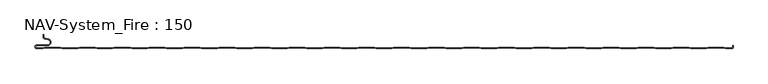
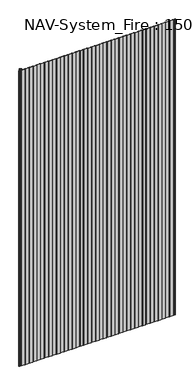
"""IFC4 building model written with IfcOpenShell, lengths in millimetres: plate geometry, NAV-System_Fire : 150."""

from ifc_helpers import new_model, si_unit, frame, origin, place, context, project, spatial, polyline, circle_curve, source, transform, mapped, element, save
from ifc_brep_helpers import plane_surface, cylinder_surface, revolved_surface, advanced_brep


def nav_system_fire_150_ab6735f6(model_context):
    return source(origin(), model_context, "Body", "AdvancedBrep", [
        advanced_brep(
        [(-488.8798221, -150.8, 2000.0), (-497.2500001, -150.8, 2000.0), (-497.2500001, -147.4000001, 2000.0), (-481.8502086, -147.4000001, 2000.0), (-480.9923864, -137.5950498, 2000.0), (-485.8625665, -136.7363054, 2000.0), (-487.3500004, -134.9636506, 2000.0), (-487.3500014, -131.6578709, 2000.0), (-488.1500014, -131.6578709, 2000.0), (-488.1500014, -134.9636516, 2000.0), (-486.0014853, -137.5241512, 2000.0), (-481.1313015, -138.382896, 2000.0), (-481.850205, -146.6000001, 2000.0), (-497.2500001, -146.6000001, 2000.0), (-497.2500001, -151.6, 2000.0), (-488.75, -151.6, 2000.0), (-485.75, -150.6, 2000.0), (-463.75, -150.6, 2000.0), (-460.75, -151.6, 2000.0), (-438.75, -151.6, 2000.0), (-435.75, -150.6, 2000.0), (-413.75, -150.6, 2000.0), (-410.75, -151.6, 2000.0), (-388.75, -151.6, 2000.0), (-385.75, -150.6, 2000.0), (-363.75, -150.6, 2000.0), (-360.75, -151.6, 2000.0), (-338.75, -151.6, 2000.0), (-335.75, -150.6, 2000.0), (-313.75, -150.6, 2000.0), (-310.75, -151.6, 2000.0), (-288.75, -151.6, 2000.0), (-285.75, -150.6, 2000.0), (-263.75, -150.6, 2000.0), (-260.75, -151.6, 2000.0), (-238.75, -151.6, 2000.0), (-235.75, -150.6, 2000.0), (-213.75, -150.6, 2000.0), (-210.75, -151.6, 2000.0), (-188.75, -151.6, 2000.0), (-185.75, -150.6, 2000.0), (-163.75, -150.6, 2000.0), (-160.75, -151.6, 2000.0), (-138.75, -151.6, 2000.0), (-135.75, -150.6, 2000.0), (-113.75, -150.6, 2000.0), (-110.75, -151.6, 2000.0), (-88.75, -151.6, 2000.0), (-85.75, -150.6, 2000.0), (-63.75, -150.6, 2000.0), (-60.75, -151.6, 2000.0), (-38.75, -151.6, 2000.0), (-35.75, -150.6, 2000.0), (-13.75, -150.6, 2000.0), (-10.75, -151.6, 2000.0), (11.25, -151.6, 2000.0), (14.25, -150.6, 2000.0), (36.25, -150.6, 2000.0), (39.25, -151.6, 2000.0), (61.25, -151.6, 2000.0), (64.25, -150.6, 2000.0), (86.25, -150.6, 2000.0), (89.25, -151.6, 2000.0), (111.25, -151.6, 2000.0), (114.25, -150.6, 2000.0), (136.25, -150.6, 2000.0), (139.25, -151.6, 2000.0), (161.25, -151.6, 2000.0), (164.25, -150.6, 2000.0), (186.25, -150.6, 2000.0), (189.25, -151.6, 2000.0), (211.25, -151.6, 2000.0), (214.25, -150.6, 2000.0), (236.25, -150.6, 2000.0), (239.25, -151.6, 2000.0), (261.25, -151.6, 2000.0), (264.25, -150.6, 2000.0), (286.25, -150.6, 2000.0), (289.25, -151.6, 2000.0), (311.25, -151.6, 2000.0), (314.25, -150.6, 2000.0), (336.25, -150.6, 2000.0), (339.25, -151.6, 2000.0), (361.25, -151.6, 2000.0), (364.25, -150.6, 2000.0), (386.25, -150.6, 2000.0), (389.25, -151.6, 2000.0), (411.25, -151.6, 2000.0), (414.25, -150.6, 2000.0), (436.25, -150.6, 2000.0), (439.25, -151.6, 2000.0), (461.25, -151.6, 2000.0), (464.25, -150.6, 2000.0), (486.25, -150.6, 2000.0), (489.25, -151.6, 2000.0), (498.2500007, -151.6, 2000.0), (499.75, -150.9228766, 2000.0), (499.75, -146.9390429, 2000.0), (499.4499998, -148.1999953, 2000.0), (499.4499998, -149.5978602, 2000.0), (498.2500017, -150.7999998, 2000.0), (489.3798221, -150.8, 2000.0), (486.3798221, -149.8, 2000.0), (464.1201779, -149.8, 2000.0), (461.1201779, -150.8, 2000.0), (439.3798221, -150.8, 2000.0), (436.3798221, -149.8, 2000.0), (414.1201779, -149.8, 2000.0), (411.1201779, -150.8, 2000.0), (389.3798221, -150.8, 2000.0), (386.3798221, -149.8, 2000.0), (364.1201779, -149.8, 2000.0), (361.1201779, -150.8, 2000.0), (339.3798221, -150.8, 2000.0), (336.3798221, -149.8, 2000.0), (314.1201779, -149.8, 2000.0), (311.1201779, -150.8, 2000.0), (289.3798221, -150.8, 2000.0), (286.3798221, -149.8, 2000.0), (264.1201779, -149.8, 2000.0), (261.1201779, -150.8, 2000.0), (239.3798221, -150.8, 2000.0), (236.3798221, -149.8, 2000.0), (214.1201779, -149.8, 2000.0), (211.1201779, -150.8, 2000.0), (189.3798221, -150.8, 2000.0), (186.3798221, -149.8, 2000.0), (164.1201779, -149.8, 2000.0), (161.1201779, -150.8, 2000.0), (139.3798221, -150.8, 2000.0), (136.3798221, -149.8, 2000.0), (114.1201779, -149.8, 2000.0), (111.1201779, -150.8, 2000.0), (89.3798221, -150.8, 2000.0), (86.3798221, -149.8, 2000.0), (64.1201779, -149.8, 2000.0), (61.1201779, -150.8, 2000.0), (39.3798221, -150.8, 2000.0), (36.3798221, -149.8, 2000.0), (14.1201779, -149.8, 2000.0), (11.1201779, -150.8, 2000.0), (-10.6201779, -150.8, 2000.0), (-13.6201779, -149.8, 2000.0), (-35.8798221, -149.8, 2000.0), (-38.8798221, -150.8, 2000.0), (-60.6201779, -150.8, 2000.0), (-63.6201779, -149.8, 2000.0), (-85.8798221, -149.8, 2000.0), (-88.8798221, -150.8, 2000.0), (-110.6201779, -150.8, 2000.0), (-113.6201779, -149.8, 2000.0), (-135.8798221, -149.8, 2000.0), (-138.8798221, -150.8, 2000.0), (-160.6201779, -150.8, 2000.0), (-163.6201779, -149.8, 2000.0), (-185.8798221, -149.8, 2000.0), (-188.8798221, -150.8, 2000.0), (-210.6201779, -150.8, 2000.0), (-213.6201779, -149.8, 2000.0), (-235.8798221, -149.8, 2000.0), (-238.8798221, -150.8, 2000.0), (-260.6201779, -150.8, 2000.0), (-263.6201779, -149.8, 2000.0), (-285.8798221, -149.8, 2000.0), (-288.8798221, -150.8, 2000.0), (-310.6201779, -150.8, 2000.0), (-313.6201779, -149.8, 2000.0), (-335.8798221, -149.8, 2000.0), (-338.8798221, -150.8, 2000.0), (-360.6201779, -150.8, 2000.0), (-363.6201779, -149.8, 2000.0), (-385.8798221, -149.8, 2000.0), (-388.8798221, -150.8, 2000.0), (-410.6201779, -150.8, 2000.0), (-413.6201779, -149.8, 2000.0), (-435.8798221, -149.8, 2000.0), (-438.8798221, -150.8, 2000.0), (-460.6201779, -150.8, 2000.0), (-463.6201779, -149.8, 2000.0), (-485.8798221, -149.8, 2000.0), (-488.8798221, -150.8, 0.0), (-485.8798221, -149.8, 0.0), (-463.6201779, -149.8, 0.0), (-460.6201779, -150.8, 0.0), (-438.8798221, -150.8, 0.0), (-435.8798221, -149.8, 0.0), (-413.6201779, -149.8, 0.0), (-410.6201779, -150.8, 0.0), (-388.8798221, -150.8, 0.0), (-385.8798221, -149.8, 0.0), (-363.6201779, -149.8, 0.0), (-360.6201779, -150.8, 0.0), (-338.8798221, -150.8, 0.0), (-335.8798221, -149.8, 0.0), (-313.6201779, -149.8, 0.0), (-310.6201779, -150.8, 0.0), (-288.8798221, -150.8, 0.0), (-285.8798221, -149.8, 0.0), (-263.6201779, -149.8, 0.0), (-260.6201779, -150.8, 0.0), (-238.8798221, -150.8, 0.0), (-235.8798221, -149.8, 0.0), (-213.6201779, -149.8, 0.0), (-210.6201779, -150.8, 0.0), (-188.8798221, -150.8, 0.0), (-185.8798221, -149.8, 0.0), (-163.6201779, -149.8, 0.0), (-160.6201779, -150.8, 0.0), (-138.8798221, -150.8, 0.0), (-135.8798221, -149.8, 0.0), (-113.6201779, -149.8, 0.0), (-110.6201779, -150.8, 0.0), (-88.8798221, -150.8, 0.0), (-85.8798221, -149.8, 0.0), (-63.6201779, -149.8, 0.0), (-60.6201779, -150.8, 0.0), (-38.8798221, -150.8, 0.0), (-35.8798221, -149.8, 0.0), (-13.6201779, -149.8, 0.0), (-10.6201779, -150.8, 0.0), (11.1201779, -150.8, 0.0), (14.1201779, -149.8, 0.0), (36.3798221, -149.8, 0.0), (39.3798221, -150.8, 0.0), (61.1201779, -150.8, 0.0), (64.1201779, -149.8, 0.0), (86.3798221, -149.8, 0.0), (89.3798221, -150.8, 0.0), (111.1201779, -150.8, 0.0), (114.1201779, -149.8, 0.0), (136.3798221, -149.8, 0.0), (139.3798221, -150.8, 0.0), (161.1201779, -150.8, 0.0), (164.1201779, -149.8, 0.0), (186.3798221, -149.8, 0.0), (189.3798221, -150.8, 0.0), (211.1201779, -150.8, 0.0), (214.1201779, -149.8, 0.0), (236.3798221, -149.8, 0.0), (239.3798221, -150.8, 0.0), (261.1201779, -150.8, 0.0), (264.1201779, -149.8, 0.0), (286.3798221, -149.8, 0.0), (289.3798221, -150.8, 0.0), (311.1201779, -150.8, 0.0), (314.1201779, -149.8, 0.0), (336.3798221, -149.8, 0.0), (339.3798221, -150.8, 0.0), (361.1201779, -150.8, 0.0), (364.1201779, -149.8, 0.0), (386.3798221, -149.8, 0.0), (389.3798221, -150.8, 0.0), (411.1201779, -150.8, 0.0), (414.1201779, -149.8, 0.0), (436.3798221, -149.8, 0.0), (439.3798221, -150.8, 0.0), (461.1201779, -150.8, 0.0), (464.1201779, -149.8, 0.0), (486.3798221, -149.8, 0.0), (489.3798221, -150.8, 0.0), (498.2500017, -150.8, 0.0), (499.4499998, -149.5978602, 0.0), (499.4499998, -148.1999953, 0.0), (499.75, -146.9390429, 0.0), (499.75, -150.9228766, 0.0), (498.2500007, -151.6, 0.0), (489.25, -151.6, 0.0), (486.25, -150.6, 0.0), (464.25, -150.6, 0.0), (461.25, -151.6, 0.0), (439.25, -151.6, 0.0), (436.25, -150.6, 0.0), (414.25, -150.6, 0.0), (411.25, -151.6, 0.0), (389.25, -151.6, 0.0), (386.25, -150.6, 0.0), (364.25, -150.6, 0.0), (361.25, -151.6, 0.0), (339.25, -151.6, 0.0), (336.25, -150.6, 0.0), (314.25, -150.6, 0.0), (311.25, -151.6, 0.0), (289.25, -151.6, 0.0), (286.25, -150.6, 0.0), (264.25, -150.6, 0.0), (261.25, -151.6, 0.0), (239.25, -151.6, 0.0), (236.25, -150.6, 0.0), (214.25, -150.6, 0.0), (211.25, -151.6, 0.0), (189.25, -151.6, 0.0), (186.25, -150.6, 0.0), (164.25, -150.6, 0.0), (161.25, -151.6, 0.0), (139.25, -151.6, 0.0), (136.25, -150.6, 0.0), (114.25, -150.6, 0.0), (111.25, -151.6, 0.0), (89.25, -151.6, 0.0), (86.25, -150.6, 0.0), (64.25, -150.6, 0.0), (61.25, -151.6, 0.0), (39.25, -151.6, 0.0), (36.25, -150.6, 0.0), (14.25, -150.6, 0.0), (11.25, -151.6, 0.0), (-10.75, -151.6, 0.0), (-13.75, -150.6, 0.0), (-35.75, -150.6, 0.0), (-38.75, -151.6, 0.0), (-60.75, -151.6, 0.0), (-63.75, -150.6, 0.0), (-85.75, -150.6, 0.0), (-88.75, -151.6, 0.0), (-110.75, -151.6, 0.0), (-113.75, -150.6, 0.0), (-135.75, -150.6, 0.0), (-138.75, -151.6, 0.0), (-160.75, -151.6, 0.0), (-163.75, -150.6, 0.0), (-185.75, -150.6, 0.0), (-188.75, -151.6, 0.0), (-210.75, -151.6, 0.0), (-213.75, -150.6, 0.0), (-235.75, -150.6, 0.0), (-238.75, -151.6, 0.0), (-260.75, -151.6, 0.0), (-263.75, -150.6, 0.0), (-285.75, -150.6, 0.0), (-288.75, -151.6, 0.0), (-310.75, -151.6, 0.0), (-313.75, -150.6, 0.0), (-335.75, -150.6, 0.0), (-338.75, -151.6, 0.0), (-360.75, -151.6, 0.0), (-363.75, -150.6, 0.0), (-385.75, -150.6, 0.0), (-388.75, -151.6, 0.0), (-410.75, -151.6, 0.0), (-413.75, -150.6, 0.0), (-435.75, -150.6, 0.0), (-438.75, -151.6, 0.0), (-460.75, -151.6, 0.0), (-463.75, -150.6, 0.0), (-485.75, -150.6, 0.0), (-488.75, -151.6, 0.0), (-497.2500001, -151.6, 0.0), (-497.2500001, -146.6000001, 0.0), (-481.850205, -146.6000001, 0.0), (-481.1313015, -138.382896, 0.0), (-486.0014853, -137.5241512, 0.0), (-488.1499997, -134.9636516, 0.0), (-488.1500014, -131.6578709, 0.0), (-487.3500014, -131.6578709, 0.0), (-487.3500014, -134.9636506, 0.0), (-485.8625665, -136.7363054, 0.0), (-480.9923864, -137.5950498, 0.0), (-481.8502086, -147.4000001, 0.0), (-497.2500001, -147.4000001, 0.0), (-497.2500001, -150.7999998, 0.0)],
        [
            (0, 1),
            (1, 2, circle_curve(frame((-497.2500001, -149.1, 2000.0), z_axis=(0.0, 0.0, -1.0), x_axis=(1.0, 0.0, 0.0)), 1.6999999)),
            (2, 3),
            (3, 4, circle_curve(frame((-481.8502086, -142.4600001, 2000.0), z_axis=(0.0, 0.0, 1.0), x_axis=(1.0, 0.0, 0.0)), 4.94)),
            (4, 5),
            (5, 6, circle_curve(frame((-485.5499995, -134.9636506, 2000.0), z_axis=(0.0, 0.0, -1.0), x_axis=(1.0, 0.0, 0.0)), 1.8000009)),
            (6, 7),
            (7, 8),
            (8, 9),
            (9, 10, circle_curve(frame((-485.5500002, -134.9636516, 2000.0), z_axis=(0.0, 0.0, 1.0), x_axis=(1.0, 0.0, 0.0)), 2.5999995)),
            (10, 11),
            (11, 12, circle_curve(frame((-481.850205, -142.4600001, 2000.0), z_axis=(0.0, 0.0, -1.0), x_axis=(1.0, 0.0, 0.0)), 4.14)),
            (12, 13),
            (13, 14, circle_curve(frame((-497.2500001, -149.1000001, 2000.0), z_axis=(0.0, 0.0, 1.0), x_axis=(1.0, 0.0, 0.0)), 2.4999999)),
            (14, 15),
            (15, 16),
            (16, 17),
            (17, 18),
            (18, 19),
            (19, 20),
            (20, 21),
            (21, 22),
            (22, 23),
            (23, 24),
            (24, 25),
            (25, 26),
            (26, 27),
            (27, 28),
            (28, 29),
            (29, 30),
            (30, 31),
            (31, 32),
            (32, 33),
            (33, 34),
            (34, 35),
            (35, 36),
            (36, 37),
            (37, 38),
            (38, 39),
            (39, 40),
            (40, 41),
            (41, 42),
            (42, 43),
            (43, 44),
            (44, 45),
            (45, 46),
            (46, 47),
            (47, 48),
            (48, 49),
            (49, 50),
            (50, 51),
            (51, 52),
            (52, 53),
            (53, 54),
            (54, 55),
            (55, 56),
            (56, 57),
            (57, 58),
            (58, 59),
            (59, 60),
            (60, 61),
            (61, 62),
            (62, 63),
            (63, 64),
            (64, 65),
            (65, 66),
            (66, 67),
            (67, 68),
            (68, 69),
            (69, 70),
            (70, 71),
            (71, 72),
            (72, 73),
            (73, 74),
            (74, 75),
            (75, 76),
            (76, 77),
            (77, 78),
            (78, 79),
            (79, 80),
            (80, 81),
            (81, 82),
            (82, 83),
            (83, 84),
            (84, 85),
            (85, 86),
            (86, 87),
            (87, 88),
            (88, 89),
            (89, 90),
            (90, 91),
            (91, 92),
            (92, 93),
            (93, 94),
            (94, 95),
            (95, 96, circle_curve(frame((498.2500007, -149.5999998, 2000.0), z_axis=(0.0, 0.0, 1.0), x_axis=(1.0, 0.0, 0.0)), 2.0000002)),
            (96, 97),
            (97, 98, circle_curve(frame((502.2499995, -148.1999953, 2000.0), z_axis=(0.0, 0.0, 1.0), x_axis=(1.0, 0.0, 0.0)), 2.7999997)),
            (98, 99),
            (99, 100, circle_curve(frame((498.2500017, -149.5999998, 2000.0), z_axis=(0.0, 0.0, -1.0), x_axis=(1.0, 0.0, 0.0)), 1.2)),
            (100, 101),
            (101, 102),
            (102, 103),
            (103, 104),
            (104, 105),
            (105, 106),
            (106, 107),
            (107, 108),
            (108, 109),
            (109, 110),
            (110, 111),
            (111, 112),
            (112, 113),
            (113, 114),
            (114, 115),
            (115, 116),
            (116, 117),
            (117, 118),
            (118, 119),
            (119, 120),
            (120, 121),
            (121, 122),
            (122, 123),
            (123, 124),
            (124, 125),
            (125, 126),
            (126, 127),
            (127, 128),
            (128, 129),
            (129, 130),
            (130, 131),
            (131, 132),
            (132, 133),
            (133, 134),
            (134, 135),
            (135, 136),
            (136, 137),
            (137, 138),
            (138, 139),
            (139, 140),
            (140, 141),
            (141, 142),
            (142, 143),
            (143, 144),
            (144, 145),
            (145, 146),
            (146, 147),
            (147, 148),
            (148, 149),
            (149, 150),
            (150, 151),
            (151, 152),
            (152, 153),
            (153, 154),
            (154, 155),
            (155, 156),
            (156, 157),
            (157, 158),
            (158, 159),
            (159, 160),
            (160, 161),
            (161, 162),
            (162, 163),
            (163, 164),
            (164, 165),
            (165, 166),
            (166, 167),
            (167, 168),
            (168, 169),
            (169, 170),
            (170, 171),
            (171, 172),
            (172, 173),
            (173, 174),
            (174, 175),
            (175, 176),
            (176, 177),
            (177, 178),
            (178, 179),
            (179, 0),
            (180, 181),
            (181, 182),
            (182, 183),
            (183, 184),
            (184, 185),
            (185, 186),
            (186, 187),
            (187, 188),
            (188, 189),
            (189, 190),
            (190, 191),
            (191, 192),
            (192, 193),
            (193, 194),
            (194, 195),
            (195, 196),
            (196, 197),
            (197, 198),
            (198, 199),
            (199, 200),
            (200, 201),
            (201, 202),
            (202, 203),
            (203, 204),
            (204, 205),
            (205, 206),
            (206, 207),
            (207, 208),
            (208, 209),
            (209, 210),
            (210, 211),
            (211, 212),
            (212, 213),
            (213, 214),
            (214, 215),
            (215, 216),
            (216, 217),
            (217, 218),
            (218, 219),
            (219, 220),
            (220, 221),
            (221, 222),
            (222, 223),
            (223, 224),
            (224, 225),
            (225, 226),
            (226, 227),
            (227, 228),
            (228, 229),
            (229, 230),
            (230, 231),
            (231, 232),
            (232, 233),
            (233, 234),
            (234, 235),
            (235, 236),
            (236, 237),
            (237, 238),
            (238, 239),
            (239, 240),
            (240, 241),
            (241, 242),
            (242, 243),
            (243, 244),
            (244, 245),
            (245, 246),
            (246, 247),
            (247, 248),
            (248, 249),
            (249, 250),
            (250, 251),
            (251, 252),
            (252, 253),
            (253, 254),
            (254, 255),
            (255, 256),
            (256, 257),
            (257, 258),
            (258, 259),
            (259, 260),
            (260, 261, circle_curve(frame((498.2500017, -149.5999998, 0.0), z_axis=(0.0, 0.0, 1.0), x_axis=(1.0, 0.0, 0.0)), 1.2)),
            (261, 262),
            (262, 263, circle_curve(frame((502.2499995, -148.1999953, 0.0), z_axis=(0.0, 0.0, -1.0), x_axis=(1.0, 0.0, 0.0)), 2.7999997)),
            (263, 264),
            (264, 265, circle_curve(frame((498.2500007, -149.5999998, 0.0), z_axis=(0.0, 0.0, -1.0), x_axis=(1.0, 0.0, 0.0)), 2.0000002)),
            (265, 266),
            (266, 267),
            (267, 268),
            (268, 269),
            (269, 270),
            (270, 271),
            (271, 272),
            (272, 273),
            (273, 274),
            (274, 275),
            (275, 276),
            (276, 277),
            (277, 278),
            (278, 279),
            (279, 280),
            (280, 281),
            (281, 282),
            (282, 283),
            (283, 284),
            (284, 285),
            (285, 286),
            (286, 287),
            (287, 288),
            (288, 289),
            (289, 290),
            (290, 291),
            (291, 292),
            (292, 293),
            (293, 294),
            (294, 295),
            (295, 296),
            (296, 297),
            (297, 298),
            (298, 299),
            (299, 300),
            (300, 301),
            (301, 302),
            (302, 303),
            (303, 304),
            (304, 305),
            (305, 306),
            (306, 307),
            (307, 308),
            (308, 309),
            (309, 310),
            (310, 311),
            (311, 312),
            (312, 313),
            (313, 314),
            (314, 315),
            (315, 316),
            (316, 317),
            (317, 318),
            (318, 319),
            (319, 320),
            (320, 321),
            (321, 322),
            (322, 323),
            (323, 324),
            (324, 325),
            (325, 326),
            (326, 327),
            (327, 328),
            (328, 329),
            (329, 330),
            (330, 331),
            (331, 332),
            (332, 333),
            (333, 334),
            (334, 335),
            (335, 336),
            (336, 337),
            (337, 338),
            (338, 339),
            (339, 340),
            (340, 341),
            (341, 342),
            (342, 343),
            (343, 344),
            (344, 345),
            (345, 346),
            (346, 347, circle_curve(frame((-497.2500001, -149.1000001, 0.0), z_axis=(0.0, 0.0, -1.0), x_axis=(1.0, 0.0, 0.0)), 2.4999999)),
            (347, 348),
            (348, 349, circle_curve(frame((-481.850205, -142.4600001, 0.0), z_axis=(0.0, 0.0, 1.0), x_axis=(1.0, 0.0, 0.0)), 4.14)),
            (349, 350),
            (350, 351, circle_curve(frame((-485.5500002, -134.9636516, 0.0), z_axis=(0.0, 0.0, -1.0), x_axis=(1.0, 0.0, 0.0)), 2.5999995)),
            (351, 352),
            (352, 353),
            (353, 354),
            (354, 355, circle_curve(frame((-485.5499995, -134.9636506, 0.0), z_axis=(0.0, 0.0, 1.0), x_axis=(1.0, 0.0, 0.0)), 1.8000009)),
            (355, 356),
            (356, 357, circle_curve(frame((-481.8502086, -142.4600001, 0.0), z_axis=(0.0, 0.0, -1.0), x_axis=(1.0, 0.0, 0.0)), 4.94)),
            (357, 358),
            (358, 359, circle_curve(frame((-497.2500001, -149.1, 0.0), z_axis=(0.0, 0.0, 1.0), x_axis=(1.0, 0.0, 0.0)), 1.6999999)),
            (359, 180),
            (14, 346),
            (345, 15),
            (0, 180),
            (359, 1),
            (100, 260),
            (259, 101),
            (258, 102),
            (257, 103),
            (256, 104),
            (255, 105),
            (254, 106),
            (253, 107),
            (252, 108),
            (251, 109),
            (250, 110),
            (249, 111),
            (248, 112),
            (247, 113),
            (246, 114),
            (245, 115),
            (244, 116),
            (243, 117),
            (242, 118),
            (241, 119),
            (240, 120),
            (239, 121),
            (238, 122),
            (237, 123),
            (236, 124),
            (235, 125),
            (234, 126),
            (233, 127),
            (232, 128),
            (231, 129),
            (230, 130),
            (229, 131),
            (228, 132),
            (227, 133),
            (226, 134),
            (225, 135),
            (224, 136),
            (223, 137),
            (222, 138),
            (221, 139),
            (220, 140),
            (219, 141),
            (218, 142),
            (217, 143),
            (216, 144),
            (215, 145),
            (214, 146),
            (213, 147),
            (212, 148),
            (211, 149),
            (210, 150),
            (209, 151),
            (208, 152),
            (207, 153),
            (206, 154),
            (205, 155),
            (204, 156),
            (203, 157),
            (202, 158),
            (201, 159),
            (200, 160),
            (199, 161),
            (198, 162),
            (197, 163),
            (196, 164),
            (195, 165),
            (194, 166),
            (193, 167),
            (192, 168),
            (191, 169),
            (190, 170),
            (189, 171),
            (188, 172),
            (187, 173),
            (186, 174),
            (185, 175),
            (184, 176),
            (183, 177),
            (182, 178),
            (181, 179),
            (344, 16),
            (343, 17),
            (342, 18),
            (341, 19),
            (340, 20),
            (339, 21),
            (338, 22),
            (337, 23),
            (336, 24),
            (335, 25),
            (334, 26),
            (333, 27),
            (332, 28),
            (331, 29),
            (330, 30),
            (329, 31),
            (328, 32),
            (327, 33),
            (326, 34),
            (325, 35),
            (324, 36),
            (323, 37),
            (322, 38),
            (321, 39),
            (320, 40),
            (319, 41),
            (318, 42),
            (317, 43),
            (316, 44),
            (315, 45),
            (314, 46),
            (313, 47),
            (312, 48),
            (311, 49),
            (310, 50),
            (309, 51),
            (308, 52),
            (307, 53),
            (306, 54),
            (305, 55),
            (304, 56),
            (303, 57),
            (302, 58),
            (301, 59),
            (300, 60),
            (299, 61),
            (298, 62),
            (297, 63),
            (296, 64),
            (295, 65),
            (294, 66),
            (293, 67),
            (292, 68),
            (291, 69),
            (290, 70),
            (289, 71),
            (288, 72),
            (287, 73),
            (286, 74),
            (285, 75),
            (284, 76),
            (283, 77),
            (282, 78),
            (281, 79),
            (280, 80),
            (279, 81),
            (278, 82),
            (277, 83),
            (276, 84),
            (275, 85),
            (274, 86),
            (273, 87),
            (272, 88),
            (271, 89),
            (270, 90),
            (269, 91),
            (268, 92),
            (267, 93),
            (266, 94),
            (265, 95),
            (2, 358),
            (357, 3),
            (6, 354),
            (353, 7),
            (352, 8),
            (351, 9),
            (12, 348),
            (347, 13),
            (356, 4),
            (355, 5),
            (350, 10),
            (349, 11),
            (264, 96),
            (262, 98),
            (97, 263),
            (261, 99),
        ],
        [
            plane_surface(frame((-499.75, -151.6, 2000.0), z_axis=(0.0, 0.0, 1.0), x_axis=(-1.0, 0.0, 0.0))),
            plane_surface(frame((-499.75, -151.6, 0.0), z_axis=(0.0, 0.0, -1.0), x_axis=(-1.0, 0.0, 0.0))),
            plane_surface(frame((-497.2500001, -151.6, 2000.0), z_axis=(0.0, -1.0, 0.0), x_axis=(0.0, 0.0, -1.0))),
            plane_surface(frame((-488.8798221, -150.8, 2000.0), z_axis=(0.0, 1.0, 0.0), x_axis=(0.0, 0.0, -1.0))),
            plane_surface(frame((498.2500017, -150.8, 2000.0), z_axis=(0.0, 1.0, 0.0), x_axis=(0.0, 0.0, -1.0))),
            plane_surface(frame((489.3798221, -150.8, 2000.0), z_axis=(0.31622776601669583, 0.9486832980505612, 0.0), x_axis=(0.0, 0.0, -1.0))),
            plane_surface(frame((486.3798221, -149.8, 2000.0), z_axis=(0.0, 1.0, 0.0), x_axis=(0.0, 0.0, -1.0))),
            plane_surface(frame((464.1201779, -149.8, 2000.0), z_axis=(-0.31622776601680463, 0.948683298050525, 0.0), x_axis=(0.0, 0.0, -1.0))),
            plane_surface(frame((461.1201779, -150.8, 2000.0), z_axis=(0.0, 1.0, 0.0), x_axis=(0.0, 0.0, -1.0))),
            plane_surface(frame((439.3798221, -150.8, 2000.0), z_axis=(0.3162277660167412, 0.9486832980505461, 0.0), x_axis=(0.0, 0.0, -1.0))),
            plane_surface(frame((436.3798221, -149.8, 2000.0), z_axis=(0.0, 1.0, 0.0), x_axis=(0.0, 0.0, -1.0))),
            plane_surface(frame((414.1201779, -149.8, 2000.0), z_axis=(-0.3162277660167537, 0.948683298050542, 0.0), x_axis=(0.0, 0.0, -1.0))),
            plane_surface(frame((411.1201779, -150.8, 2000.0), z_axis=(0.0, 1.0, 0.0), x_axis=(0.0, 0.0, -1.0))),
            plane_surface(frame((389.3798221, -150.8, 2000.0), z_axis=(0.31622776601679214, 0.9486832980505291, 0.0), x_axis=(0.0, 0.0, -1.0))),
            plane_surface(frame((386.3798221, -149.8, 2000.0), z_axis=(0.0, 1.0, 0.0), x_axis=(0.0, 0.0, -1.0))),
            plane_surface(frame((364.1201779, -149.8, 2000.0), z_axis=(-0.31622776601680463, 0.948683298050525, 0.0), x_axis=(0.0, 0.0, -1.0))),
            plane_surface(frame((361.1201779, -150.8, 2000.0), z_axis=(0.0, 1.0, 0.0), x_axis=(0.0, 0.0, -1.0))),
            plane_surface(frame((339.3798221, -150.8, 2000.0), z_axis=(0.3162277660167412, 0.9486832980505461, 0.0), x_axis=(0.0, 0.0, -1.0))),
            plane_surface(frame((336.3798221, -149.8, 2000.0), z_axis=(0.0, 1.0, 0.0), x_axis=(0.0, 0.0, -1.0))),
            plane_surface(frame((314.1201779, -149.8, 2000.0), z_axis=(-0.3162277660167537, 0.948683298050542, 0.0), x_axis=(0.0, 0.0, -1.0))),
            plane_surface(frame((311.1201779, -150.8, 2000.0), z_axis=(0.0, 1.0, 0.0), x_axis=(0.0, 0.0, -1.0))),
            plane_surface(frame((289.3798221, -150.8, 2000.0), z_axis=(0.31622776601679214, 0.9486832980505291, 0.0), x_axis=(0.0, 0.0, -1.0))),
            plane_surface(frame((286.3798221, -149.8, 2000.0), z_axis=(0.0, 1.0, 0.0), x_axis=(0.0, 0.0, -1.0))),
            plane_surface(frame((264.1201779, -149.8, 2000.0), z_axis=(-0.31622776601680463, 0.948683298050525, 0.0), x_axis=(0.0, 0.0, -1.0))),
            plane_surface(frame((261.1201779, -150.8, 2000.0), z_axis=(0.0, 1.0, 0.0), x_axis=(0.0, 0.0, -1.0))),
            plane_surface(frame((239.3798221, -150.8, 2000.0), z_axis=(0.3162277660167412, 0.9486832980505461, 0.0), x_axis=(0.0, 0.0, -1.0))),
            plane_surface(frame((236.3798221, -149.8, 2000.0), z_axis=(0.0, 1.0, 0.0), x_axis=(0.0, 0.0, -1.0))),
            plane_surface(frame((214.1201779, -149.8, 2000.0), z_axis=(-0.3162277660167537, 0.948683298050542, 0.0), x_axis=(0.0, 0.0, -1.0))),
            plane_surface(frame((211.1201779, -150.8, 2000.0), z_axis=(0.0, 1.0, 0.0), x_axis=(0.0, 0.0, -1.0))),
            plane_surface(frame((189.3798221, -150.8, 2000.0), z_axis=(0.31622776601679214, 0.9486832980505291, 0.0), x_axis=(0.0, 0.0, -1.0))),
            plane_surface(frame((186.3798221, -149.8, 2000.0), z_axis=(0.0, 1.0, 0.0), x_axis=(0.0, 0.0, -1.0))),
            plane_surface(frame((164.1201779, -149.8, 2000.0), z_axis=(-0.31622776601680463, 0.948683298050525, 0.0), x_axis=(0.0, 0.0, -1.0))),
            plane_surface(frame((161.1201779, -150.8, 2000.0), z_axis=(0.0, 1.0, 0.0), x_axis=(0.0, 0.0, -1.0))),
            plane_surface(frame((139.3798221, -150.8, 2000.0), z_axis=(0.3162277660167412, 0.9486832980505461, 0.0), x_axis=(0.0, 0.0, -1.0))),
            plane_surface(frame((136.3798221, -149.8, 2000.0), z_axis=(0.0, 1.0, 0.0), x_axis=(0.0, 0.0, -1.0))),
            plane_surface(frame((114.1201779, -149.8, 2000.0), z_axis=(-0.3162277660167537, 0.948683298050542, 0.0), x_axis=(0.0, 0.0, -1.0))),
            plane_surface(frame((111.1201779, -150.8, 2000.0), z_axis=(0.0, 1.0, 0.0), x_axis=(0.0, 0.0, -1.0))),
            plane_surface(frame((89.3798221, -150.8, 2000.0), z_axis=(0.3162277660167412, 0.9486832980505461, 0.0), x_axis=(0.0, 0.0, -1.0))),
            plane_surface(frame((86.3798221, -149.8, 2000.0), z_axis=(0.0, 1.0, 0.0), x_axis=(0.0, 0.0, -1.0))),
            plane_surface(frame((64.1201779, -149.8, 2000.0), z_axis=(-0.3162277660167537, 0.948683298050542, 0.0), x_axis=(0.0, 0.0, -1.0))),
            plane_surface(frame((61.1201779, -150.8, 2000.0), z_axis=(0.0, 1.0, 0.0), x_axis=(0.0, 0.0, -1.0))),
            plane_surface(frame((39.3798221, -150.8, 2000.0), z_axis=(0.31622776601679214, 0.9486832980505291, 0.0), x_axis=(0.0, 0.0, -1.0))),
            plane_surface(frame((36.3798221, -149.8, 2000.0), z_axis=(0.0, 1.0, 0.0), x_axis=(0.0, 0.0, -1.0))),
            plane_surface(frame((14.1201779, -149.8, 2000.0), z_axis=(-0.31622776601680463, 0.948683298050525, 0.0), x_axis=(0.0, 0.0, -1.0))),
            plane_surface(frame((11.1201779, -150.8, 2000.0), z_axis=(0.0, 1.0, 0.0), x_axis=(0.0, 0.0, -1.0))),
            plane_surface(frame((-10.6201779, -150.8, 2000.0), z_axis=(0.3162277660167412, 0.9486832980505461, 0.0), x_axis=(0.0, 0.0, -1.0))),
            plane_surface(frame((-13.6201779, -149.8, 2000.0), z_axis=(0.0, 1.0, 0.0), x_axis=(0.0, 0.0, -1.0))),
            plane_surface(frame((-35.8798221, -149.8, 2000.0), z_axis=(-0.3162277660167537, 0.948683298050542, 0.0), x_axis=(0.0, 0.0, -1.0))),
            plane_surface(frame((-38.8798221, -150.8, 2000.0), z_axis=(0.0, 1.0, 0.0), x_axis=(0.0, 0.0, -1.0))),
            plane_surface(frame((-60.6201779, -150.8, 2000.0), z_axis=(0.31622776601679214, 0.9486832980505291, 0.0), x_axis=(0.0, 0.0, -1.0))),
            plane_surface(frame((-63.6201779, -149.8, 2000.0), z_axis=(0.0, 1.0, 0.0), x_axis=(0.0, 0.0, -1.0))),
            plane_surface(frame((-85.8798221, -149.8, 2000.0), z_axis=(-0.31622776601680463, 0.948683298050525, 0.0), x_axis=(0.0, 0.0, -1.0))),
            plane_surface(frame((-88.8798221, -150.8, 2000.0), z_axis=(0.0, 1.0, 0.0), x_axis=(0.0, 0.0, -1.0))),
            plane_surface(frame((-110.6201779, -150.8, 2000.0), z_axis=(0.3162277660167412, 0.9486832980505461, 0.0), x_axis=(0.0, 0.0, -1.0))),
            plane_surface(frame((-113.6201779, -149.8, 2000.0), z_axis=(0.0, 1.0, 0.0), x_axis=(0.0, 0.0, -1.0))),
            plane_surface(frame((-135.8798221, -149.8, 2000.0), z_axis=(-0.3162277660167537, 0.948683298050542, 0.0), x_axis=(0.0, 0.0, -1.0))),
            plane_surface(frame((-138.8798221, -150.8, 2000.0), z_axis=(0.0, 1.0, 0.0), x_axis=(0.0, 0.0, -1.0))),
            plane_surface(frame((-160.6201779, -150.8, 2000.0), z_axis=(0.31622776601679214, 0.9486832980505291, 0.0), x_axis=(0.0, 0.0, -1.0))),
            plane_surface(frame((-163.6201779, -149.8, 2000.0), z_axis=(0.0, 1.0, 0.0), x_axis=(0.0, 0.0, -1.0))),
            plane_surface(frame((-185.8798221, -149.8, 2000.0), z_axis=(-0.3162277660168057, 0.9486832980505246, 0.0), x_axis=(0.0, 0.0, -1.0))),
            plane_surface(frame((-188.8798221, -150.8, 2000.0), z_axis=(0.0, 1.0, 0.0), x_axis=(0.0, 0.0, -1.0))),
            plane_surface(frame((-210.6201779, -150.8, 2000.0), z_axis=(0.3162277660167412, 0.9486832980505461, 0.0), x_axis=(0.0, 0.0, -1.0))),
            plane_surface(frame((-213.6201779, -149.8, 2000.0), z_axis=(0.0, 1.0, 0.0), x_axis=(0.0, 0.0, -1.0))),
            plane_surface(frame((-235.8798221, -149.8, 2000.0), z_axis=(-0.3162277660167537, 0.948683298050542, 0.0), x_axis=(0.0, 0.0, -1.0))),
            plane_surface(frame((-238.8798221, -150.8, 2000.0), z_axis=(0.0, 1.0, 0.0), x_axis=(0.0, 0.0, -1.0))),
            plane_surface(frame((-260.6201779, -150.8, 2000.0), z_axis=(0.31622776601679214, 0.9486832980505291, 0.0), x_axis=(0.0, 0.0, -1.0))),
            plane_surface(frame((-263.6201779, -149.8, 2000.0), z_axis=(0.0, 1.0, 0.0), x_axis=(0.0, 0.0, -1.0))),
            plane_surface(frame((-285.8798221, -149.8, 2000.0), z_axis=(-0.31622776601680463, 0.948683298050525, 0.0), x_axis=(0.0, 0.0, -1.0))),
            plane_surface(frame((-288.8798221, -150.8, 2000.0), z_axis=(0.0, 1.0, 0.0), x_axis=(0.0, 0.0, -1.0))),
            plane_surface(frame((-310.6201779, -150.8, 2000.0), z_axis=(0.3162277660167412, 0.9486832980505461, 0.0), x_axis=(0.0, 0.0, -1.0))),
            plane_surface(frame((-313.6201779, -149.8, 2000.0), z_axis=(0.0, 1.0, 0.0), x_axis=(0.0, 0.0, -1.0))),
            plane_surface(frame((-335.8798221, -149.8, 2000.0), z_axis=(-0.3162277660167537, 0.948683298050542, 0.0), x_axis=(0.0, 0.0, -1.0))),
            plane_surface(frame((-338.8798221, -150.8, 2000.0), z_axis=(0.0, 1.0, 0.0), x_axis=(0.0, 0.0, -1.0))),
            plane_surface(frame((-360.6201779, -150.8, 2000.0), z_axis=(0.31622776601679214, 0.9486832980505291, 0.0), x_axis=(0.0, 0.0, -1.0))),
            plane_surface(frame((-363.6201779, -149.8, 2000.0), z_axis=(0.0, 1.0, 0.0), x_axis=(0.0, 0.0, -1.0))),
            plane_surface(frame((-385.8798221, -149.8, 2000.0), z_axis=(-0.31622776601680463, 0.948683298050525, 0.0), x_axis=(0.0, 0.0, -1.0))),
            plane_surface(frame((-388.8798221, -150.8, 2000.0), z_axis=(0.0, 1.0, 0.0), x_axis=(0.0, 0.0, -1.0))),
            plane_surface(frame((-410.6201779, -150.8, 2000.0), z_axis=(0.31622776601679214, 0.9486832980505291, 0.0), x_axis=(0.0, 0.0, -1.0))),
            plane_surface(frame((-413.6201779, -149.8, 2000.0), z_axis=(0.0, 1.0, 0.0), x_axis=(0.0, 0.0, -1.0))),
            plane_surface(frame((-435.8798221, -149.8, 2000.0), z_axis=(-0.31622776601680463, 0.948683298050525, 0.0), x_axis=(0.0, 0.0, -1.0))),
            plane_surface(frame((-438.8798221, -150.8, 2000.0), z_axis=(0.0, 1.0, 0.0), x_axis=(0.0, 0.0, -1.0))),
            plane_surface(frame((-460.6201779, -150.8, 2000.0), z_axis=(0.3162277660167412, 0.9486832980505461, 0.0), x_axis=(0.0, 0.0, -1.0))),
            plane_surface(frame((-463.6201779, -149.8, 2000.0), z_axis=(0.0, 1.0, 0.0), x_axis=(0.0, 0.0, -1.0))),
            plane_surface(frame((-485.8798221, -149.8, 2000.0), z_axis=(-0.3162277660167414, 0.9486832980505461, 0.0), x_axis=(0.0, 0.0, -1.0))),
            plane_surface(frame((-488.75, -151.6, 2000.0), z_axis=(0.31622776601671876, -0.9486832980505536, 0.0), x_axis=(0.0, 0.0, -1.0))),
            plane_surface(frame((-485.75, -150.6, 2000.0), z_axis=(0.0, -1.0, 0.0), x_axis=(0.0, 0.0, -1.0))),
            plane_surface(frame((-463.75, -150.6, 2000.0), z_axis=(-0.31622776601671854, -0.9486832980505536, 0.0), x_axis=(0.0, 0.0, -1.0))),
            plane_surface(frame((-460.75, -151.6, 2000.0), z_axis=(0.0, -1.0, 0.0), x_axis=(0.0, 0.0, -1.0))),
            plane_surface(frame((-438.75, -151.6, 2000.0), z_axis=(0.31622776601678765, -0.9486832980505306, 0.0), x_axis=(0.0, 0.0, -1.0))),
            plane_surface(frame((-435.75, -150.6, 2000.0), z_axis=(0.0, -1.0, 0.0), x_axis=(0.0, 0.0, -1.0))),
            plane_surface(frame((-413.75, -150.6, 2000.0), z_axis=(-0.3162277660167751, -0.9486832980505348, 0.0), x_axis=(0.0, 0.0, -1.0))),
            plane_surface(frame((-410.75, -151.6, 2000.0), z_axis=(0.0, -1.0, 0.0), x_axis=(0.0, 0.0, -1.0))),
            plane_surface(frame((-388.75, -151.6, 2000.0), z_axis=(0.31622776601678765, -0.9486832980505306, 0.0), x_axis=(0.0, 0.0, -1.0))),
            plane_surface(frame((-385.75, -150.6, 2000.0), z_axis=(0.0, -1.0, 0.0), x_axis=(0.0, 0.0, -1.0))),
            plane_surface(frame((-363.75, -150.6, 2000.0), z_axis=(-0.3162277660167751, -0.9486832980505348, 0.0), x_axis=(0.0, 0.0, -1.0))),
            plane_surface(frame((-360.75, -151.6, 2000.0), z_axis=(0.0, -1.0, 0.0), x_axis=(0.0, 0.0, -1.0))),
            plane_surface(frame((-338.75, -151.6, 2000.0), z_axis=(0.316227766016731, -0.9486832980505495, 0.0), x_axis=(0.0, 0.0, -1.0))),
            plane_surface(frame((-335.75, -150.6, 2000.0), z_axis=(0.0, -1.0, 0.0), x_axis=(0.0, 0.0, -1.0))),
            plane_surface(frame((-313.75, -150.6, 2000.0), z_axis=(-0.31622776601671854, -0.9486832980505536, 0.0), x_axis=(0.0, 0.0, -1.0))),
            plane_surface(frame((-310.75, -151.6, 2000.0), z_axis=(0.0, -1.0, 0.0), x_axis=(0.0, 0.0, -1.0))),
            plane_surface(frame((-288.75, -151.6, 2000.0), z_axis=(0.31622776601678765, -0.9486832980505306, 0.0), x_axis=(0.0, 0.0, -1.0))),
            plane_surface(frame((-285.75, -150.6, 2000.0), z_axis=(0.0, -1.0, 0.0), x_axis=(0.0, 0.0, -1.0))),
            plane_surface(frame((-263.75, -150.6, 2000.0), z_axis=(-0.3162277660167751, -0.9486832980505348, 0.0), x_axis=(0.0, 0.0, -1.0))),
            plane_surface(frame((-260.75, -151.6, 2000.0), z_axis=(0.0, -1.0, 0.0), x_axis=(0.0, 0.0, -1.0))),
            plane_surface(frame((-238.75, -151.6, 2000.0), z_axis=(0.316227766016731, -0.9486832980505495, 0.0), x_axis=(0.0, 0.0, -1.0))),
            plane_surface(frame((-235.75, -150.6, 2000.0), z_axis=(0.0, -1.0, 0.0), x_axis=(0.0, 0.0, -1.0))),
            plane_surface(frame((-213.75, -150.6, 2000.0), z_axis=(-0.31622776601671854, -0.9486832980505536, 0.0), x_axis=(0.0, 0.0, -1.0))),
            plane_surface(frame((-210.75, -151.6, 2000.0), z_axis=(0.0, -1.0, 0.0), x_axis=(0.0, 0.0, -1.0))),
            plane_surface(frame((-188.75, -151.6, 2000.0), z_axis=(0.3162277660168057, -0.9486832980505246, 0.0), x_axis=(0.0, 0.0, -1.0))),
            plane_surface(frame((-185.75, -150.6, 2000.0), z_axis=(0.0, -1.0, 0.0), x_axis=(0.0, 0.0, -1.0))),
            plane_surface(frame((-163.75, -150.6, 2000.0), z_axis=(-0.3162277660167751, -0.9486832980505348, 0.0), x_axis=(0.0, 0.0, -1.0))),
            plane_surface(frame((-160.75, -151.6, 2000.0), z_axis=(0.0, -1.0, 0.0), x_axis=(0.0, 0.0, -1.0))),
            plane_surface(frame((-138.75, -151.6, 2000.0), z_axis=(0.316227766016731, -0.9486832980505495, 0.0), x_axis=(0.0, 0.0, -1.0))),
            plane_surface(frame((-135.75, -150.6, 2000.0), z_axis=(0.0, -1.0, 0.0), x_axis=(0.0, 0.0, -1.0))),
            plane_surface(frame((-113.75, -150.6, 2000.0), z_axis=(-0.31622776601671854, -0.9486832980505536, 0.0), x_axis=(0.0, 0.0, -1.0))),
            plane_surface(frame((-110.75, -151.6, 2000.0), z_axis=(0.0, -1.0, 0.0), x_axis=(0.0, 0.0, -1.0))),
            plane_surface(frame((-88.75, -151.6, 2000.0), z_axis=(0.31622776601678765, -0.9486832980505306, 0.0), x_axis=(0.0, 0.0, -1.0))),
            plane_surface(frame((-85.75, -150.6, 2000.0), z_axis=(0.0, -1.0, 0.0), x_axis=(0.0, 0.0, -1.0))),
            plane_surface(frame((-63.75, -150.6, 2000.0), z_axis=(-0.3162277660167751, -0.9486832980505348, 0.0), x_axis=(0.0, 0.0, -1.0))),
            plane_surface(frame((-60.75, -151.6, 2000.0), z_axis=(0.0, -1.0, 0.0), x_axis=(0.0, 0.0, -1.0))),
            plane_surface(frame((-38.75, -151.6, 2000.0), z_axis=(0.316227766016731, -0.9486832980505495, 0.0), x_axis=(0.0, 0.0, -1.0))),
            plane_surface(frame((-35.75, -150.6, 2000.0), z_axis=(0.0, -1.0, 0.0), x_axis=(0.0, 0.0, -1.0))),
            plane_surface(frame((-13.75, -150.6, 2000.0), z_axis=(-0.31622776601671854, -0.9486832980505536, 0.0), x_axis=(0.0, 0.0, -1.0))),
            plane_surface(frame((-10.75, -151.6, 2000.0), z_axis=(0.0, -1.0, 0.0), x_axis=(0.0, 0.0, -1.0))),
            plane_surface(frame((11.25, -151.6, 2000.0), z_axis=(0.31622776601678765, -0.9486832980505306, 0.0), x_axis=(0.0, 0.0, -1.0))),
            plane_surface(frame((14.25, -150.6, 2000.0), z_axis=(0.0, -1.0, 0.0), x_axis=(0.0, 0.0, -1.0))),
            plane_surface(frame((36.25, -150.6, 2000.0), z_axis=(-0.3162277660167751, -0.9486832980505348, 0.0), x_axis=(0.0, 0.0, -1.0))),
            plane_surface(frame((39.25, -151.6, 2000.0), z_axis=(0.0, -1.0, 0.0), x_axis=(0.0, 0.0, -1.0))),
            plane_surface(frame((61.25, -151.6, 2000.0), z_axis=(0.316227766016731, -0.9486832980505495, 0.0), x_axis=(0.0, 0.0, -1.0))),
            plane_surface(frame((64.25, -150.6, 2000.0), z_axis=(0.0, -1.0, 0.0), x_axis=(0.0, 0.0, -1.0))),
            plane_surface(frame((86.25, -150.6, 2000.0), z_axis=(-0.31622776601671854, -0.9486832980505536, 0.0), x_axis=(0.0, 0.0, -1.0))),
            plane_surface(frame((89.25, -151.6, 2000.0), z_axis=(0.0, -1.0, 0.0), x_axis=(0.0, 0.0, -1.0))),
            plane_surface(frame((111.25, -151.6, 2000.0), z_axis=(0.316227766016731, -0.9486832980505495, 0.0), x_axis=(0.0, 0.0, -1.0))),
            plane_surface(frame((114.25, -150.6, 2000.0), z_axis=(0.0, -1.0, 0.0), x_axis=(0.0, 0.0, -1.0))),
            plane_surface(frame((136.25, -150.6, 2000.0), z_axis=(-0.31622776601671854, -0.9486832980505536, 0.0), x_axis=(0.0, 0.0, -1.0))),
            plane_surface(frame((139.25, -151.6, 2000.0), z_axis=(0.0, -1.0, 0.0), x_axis=(0.0, 0.0, -1.0))),
            plane_surface(frame((161.25, -151.6, 2000.0), z_axis=(0.31622776601678765, -0.9486832980505306, 0.0), x_axis=(0.0, 0.0, -1.0))),
            plane_surface(frame((164.25, -150.6, 2000.0), z_axis=(0.0, -1.0, 0.0), x_axis=(0.0, 0.0, -1.0))),
            plane_surface(frame((186.25, -150.6, 2000.0), z_axis=(-0.3162277660167751, -0.9486832980505348, 0.0), x_axis=(0.0, 0.0, -1.0))),
            plane_surface(frame((189.25, -151.6, 2000.0), z_axis=(0.0, -1.0, 0.0), x_axis=(0.0, 0.0, -1.0))),
            plane_surface(frame((211.25, -151.6, 2000.0), z_axis=(0.316227766016731, -0.9486832980505495, 0.0), x_axis=(0.0, 0.0, -1.0))),
            plane_surface(frame((214.25, -150.6, 2000.0), z_axis=(0.0, -1.0, 0.0), x_axis=(0.0, 0.0, -1.0))),
            plane_surface(frame((236.25, -150.6, 2000.0), z_axis=(-0.31622776601671854, -0.9486832980505536, 0.0), x_axis=(0.0, 0.0, -1.0))),
            plane_surface(frame((239.25, -151.6, 2000.0), z_axis=(0.0, -1.0, 0.0), x_axis=(0.0, 0.0, -1.0))),
            plane_surface(frame((261.25, -151.6, 2000.0), z_axis=(0.31622776601678765, -0.9486832980505306, 0.0), x_axis=(0.0, 0.0, -1.0))),
            plane_surface(frame((264.25, -150.6, 2000.0), z_axis=(0.0, -1.0, 0.0), x_axis=(0.0, 0.0, -1.0))),
            plane_surface(frame((286.25, -150.6, 2000.0), z_axis=(-0.3162277660167751, -0.9486832980505348, 0.0), x_axis=(0.0, 0.0, -1.0))),
            plane_surface(frame((289.25, -151.6, 2000.0), z_axis=(0.0, -1.0, 0.0), x_axis=(0.0, 0.0, -1.0))),
            plane_surface(frame((311.25, -151.6, 2000.0), z_axis=(0.316227766016731, -0.9486832980505495, 0.0), x_axis=(0.0, 0.0, -1.0))),
            plane_surface(frame((314.25, -150.6, 2000.0), z_axis=(0.0, -1.0, 0.0), x_axis=(0.0, 0.0, -1.0))),
            plane_surface(frame((336.25, -150.6, 2000.0), z_axis=(-0.31622776601671854, -0.9486832980505536, 0.0), x_axis=(0.0, 0.0, -1.0))),
            plane_surface(frame((339.25, -151.6, 2000.0), z_axis=(0.0, -1.0, 0.0), x_axis=(0.0, 0.0, -1.0))),
            plane_surface(frame((361.25, -151.6, 2000.0), z_axis=(0.31622776601678765, -0.9486832980505306, 0.0), x_axis=(0.0, 0.0, -1.0))),
            plane_surface(frame((364.25, -150.6, 2000.0), z_axis=(0.0, -1.0, 0.0), x_axis=(0.0, 0.0, -1.0))),
            plane_surface(frame((386.25, -150.6, 2000.0), z_axis=(-0.3162277660167751, -0.9486832980505348, 0.0), x_axis=(0.0, 0.0, -1.0))),
            plane_surface(frame((389.25, -151.6, 2000.0), z_axis=(0.0, -1.0, 0.0), x_axis=(0.0, 0.0, -1.0))),
            plane_surface(frame((411.25, -151.6, 2000.0), z_axis=(0.316227766016731, -0.9486832980505495, 0.0), x_axis=(0.0, 0.0, -1.0))),
            plane_surface(frame((414.25, -150.6, 2000.0), z_axis=(0.0, -1.0, 0.0), x_axis=(0.0, 0.0, -1.0))),
            plane_surface(frame((436.25, -150.6, 2000.0), z_axis=(-0.31622776601671854, -0.9486832980505536, 0.0), x_axis=(0.0, 0.0, -1.0))),
            plane_surface(frame((439.25, -151.6, 2000.0), z_axis=(0.0, -1.0, 0.0), x_axis=(0.0, 0.0, -1.0))),
            plane_surface(frame((461.25, -151.6, 2000.0), z_axis=(0.31622776601678765, -0.9486832980505306, 0.0), x_axis=(0.0, 0.0, -1.0))),
            plane_surface(frame((464.25, -150.6, 2000.0), z_axis=(0.0, -1.0, 0.0), x_axis=(0.0, 0.0, -1.0))),
            plane_surface(frame((486.25, -150.6, 2000.0), z_axis=(-0.3162277660166733, -0.9486832980505688, 0.0), x_axis=(0.0, 0.0, -1.0))),
            plane_surface(frame((489.25, -151.6, 2000.0), z_axis=(0.0, -1.0, 0.0), x_axis=(0.0, 0.0, -1.0))),
            plane_surface(frame((-497.2500001, -147.4000001, 2000.0), z_axis=(0.0, -1.0, 0.0), x_axis=(0.0, 0.0, -1.0))),
            plane_surface(frame((-487.3500014, -134.9636506, 2000.0), z_axis=(1.0, 0.0, 0.0), x_axis=(0.0, 0.0, -1.0))),
            plane_surface(frame((-487.3500014, -131.6578709, 2000.0), z_axis=(0.0, 1.0, 0.0), x_axis=(0.0, 0.0, -1.0))),
            plane_surface(frame((-488.1500014, -131.6578709, 2000.0), z_axis=(-1.0, 0.0, 0.0), x_axis=(0.0, 0.0, -1.0))),
            plane_surface(frame((-481.850205, -146.6000001, 2000.0), z_axis=(0.0, 1.0, 0.0), x_axis=(0.0, 0.0, -1.0))),
            revolved_surface(polyline([(-495.5500002, -149.1, 0.0), (-495.5500002, -149.1, 2000.0)]), (-497.2500001, -149.1, 2000.0), (0.0, 0.0, -1.0)),
            cylinder_surface(frame((-481.8502086, -142.4600001, 2000.0), z_axis=(0.0, 0.0, 1.0), x_axis=(1.0, 0.0, 0.0)), 4.94),
            plane_surface(frame((-480.9923864, -137.5950498, 2000.0), z_axis=(0.17364822279076958, 0.9848077450556567, 0.0), x_axis=(0.0, 0.0, -1.0))),
            revolved_surface(polyline([(-483.7499986, -134.9636506, 0.0), (-483.7499986, -134.9636506, 2000.0)]), (-485.5499995, -134.9636506, 2000.0), (0.0, 0.0, -1.0)),
            cylinder_surface(frame((-485.5500002, -134.9636516, 2000.0), z_axis=(0.0, 0.0, 1.0), x_axis=(1.0, 0.0, 0.0)), 2.5999995),
            plane_surface(frame((-486.0014853, -137.5241512, 2000.0), z_axis=(-0.17364817295915438, -0.984807753842316, 0.0), x_axis=(0.0, 0.0, -1.0))),
            revolved_surface(polyline([(-477.71020500000003, -142.4600001, 0.0), (-477.71020500000003, -142.4600001, 2000.0)]), (-481.850205, -142.4600001, 2000.0), (0.0, 0.0, -1.0)),
            cylinder_surface(frame((-497.2500001, -149.1000001, 2000.0), z_axis=(0.0, 0.0, 1.0), x_axis=(1.0, 0.0, 0.0)), 2.4999999),
            cylinder_surface(frame((498.2500007, -149.5999998, 2000.0), z_axis=(0.0, 0.0, 1.0), x_axis=(1.0, 0.0, 0.0)), 2.0000002),
            cylinder_surface(frame((502.2499995, -148.1999953, 2000.0), z_axis=(0.0, 0.0, 1.0), x_axis=(1.0, 0.0, 0.0)), 2.7999997),
            plane_surface(frame((499.4499998, -148.1999953, 2000.0), z_axis=(-1.0, 0.0, 0.0), x_axis=(0.0, 0.0, -1.0))),
            revolved_surface(polyline([(499.4500017, -149.5999998, 0.0), (499.4500017, -149.5999998, 2000.0)]), (498.2500017, -149.5999998, 2000.0), (0.0, 0.0, -1.0)),
            plane_surface(frame((499.75, 100.0, 2000.0), z_axis=(1.0, 0.0, 0.0), x_axis=(0.0, 0.0, -1.0))),
        ],
        [
            (0, [[1, 2, 3, 4, 5, 6, 7, 8, 9, 10, 11, 12, 13, 14, 15, 16, 17, 18, 19, 20, 21, 22, 23, 24, 25, 26, 27, 28, 29, 30, 31, 32, 33, 34, 35, 36, 37, 38, 39, 40, 41, 42, 43, 44, 45, 46, 47, 48, 49, 50, 51, 52, 53, 54, 55, 56, 57, 58, 59, 60, 61, 62, 63, 64, 65, 66, 67, 68, 69, 70, 71, 72, 73, 74, 75, 76, 77, 78, 79, 80, 81, 82, 83, 84, 85, 86, 87, 88, 89, 90, 91, 92, 93, 94, 95, 96, 97, 98, 99, 100, 101, 102, 103, 104, 105, 106, 107, 108, 109, 110, 111, 112, 113, 114, 115, 116, 117, 118, 119, 120, 121, 122, 123, 124, 125, 126, 127, 128, 129, 130, 131, 132, 133, 134, 135, 136, 137, 138, 139, 140, 141, 142, 143, 144, 145, 146, 147, 148, 149, 150, 151, 152, 153, 154, 155, 156, 157, 158, 159, 160, 161, 162, 163, 164, 165, 166, 167, 168, 169, 170, 171, 172, 173, 174, 175, 176, 177, 178, 179, 180]]),
            (1, [[181, 182, 183, 184, 185, 186, 187, 188, 189, 190, 191, 192, 193, 194, 195, 196, 197, 198, 199, 200, 201, 202, 203, 204, 205, 206, 207, 208, 209, 210, 211, 212, 213, 214, 215, 216, 217, 218, 219, 220, 221, 222, 223, 224, 225, 226, 227, 228, 229, 230, 231, 232, 233, 234, 235, 236, 237, 238, 239, 240, 241, 242, 243, 244, 245, 246, 247, 248, 249, 250, 251, 252, 253, 254, 255, 256, 257, 258, 259, 260, 261, 262, 263, 264, 265, 266, 267, 268, 269, 270, 271, 272, 273, 274, 275, 276, 277, 278, 279, 280, 281, 282, 283, 284, 285, 286, 287, 288, 289, 290, 291, 292, 293, 294, 295, 296, 297, 298, 299, 300, 301, 302, 303, 304, 305, 306, 307, 308, 309, 310, 311, 312, 313, 314, 315, 316, 317, 318, 319, 320, 321, 322, 323, 324, 325, 326, 327, 328, 329, 330, 331, 332, 333, 334, 335, 336, 337, 338, 339, 340, 341, 342, 343, 344, 345, 346, 347, 348, 349, 350, 351, 352, 353, 354, 355, 356, 357, 358, 359, 360]]),
            (2, [[-15, 361, -346, 362]]),
            (3, [[-1, 363, -360, 364]]),
            (4, [[-101, 365, -260, 366]]),
            (5, [[-102, -366, -259, 367]]),
            (6, [[-103, -367, -258, 368]]),
            (7, [[-104, -368, -257, 369]]),
            (8, [[-105, -369, -256, 370]]),
            (9, [[-106, -370, -255, 371]]),
            (10, [[-107, -371, -254, 372]]),
            (11, [[-108, -372, -253, 373]]),
            (12, [[-109, -373, -252, 374]]),
            (13, [[-110, -374, -251, 375]]),
            (14, [[-111, -375, -250, 376]]),
            (15, [[-112, -376, -249, 377]]),
            (16, [[-113, -377, -248, 378]]),
            (17, [[-114, -378, -247, 379]]),
            (18, [[-115, -379, -246, 380]]),
            (19, [[-116, -380, -245, 381]]),
            (20, [[-117, -381, -244, 382]]),
            (21, [[-118, -382, -243, 383]]),
            (22, [[-119, -383, -242, 384]]),
            (23, [[-120, -384, -241, 385]]),
            (24, [[-121, -385, -240, 386]]),
            (25, [[-122, -386, -239, 387]]),
            (26, [[-123, -387, -238, 388]]),
            (27, [[-124, -388, -237, 389]]),
            (28, [[-125, -389, -236, 390]]),
            (29, [[-126, -390, -235, 391]]),
            (30, [[-127, -391, -234, 392]]),
            (31, [[-128, -392, -233, 393]]),
            (32, [[-129, -393, -232, 394]]),
            (33, [[-130, -394, -231, 395]]),
            (34, [[-131, -395, -230, 396]]),
            (35, [[-132, -396, -229, 397]]),
            (36, [[-133, -397, -228, 398]]),
            (37, [[-134, -398, -227, 399]]),
            (38, [[-135, -399, -226, 400]]),
            (39, [[-136, -400, -225, 401]]),
            (40, [[-137, -401, -224, 402]]),
            (41, [[-138, -402, -223, 403]]),
            (42, [[-139, -403, -222, 404]]),
            (43, [[-140, -404, -221, 405]]),
            (44, [[-141, -405, -220, 406]]),
            (45, [[-142, -406, -219, 407]]),
            (46, [[-143, -407, -218, 408]]),
            (47, [[-144, -408, -217, 409]]),
            (48, [[-145, -409, -216, 410]]),
            (49, [[-146, -410, -215, 411]]),
            (50, [[-147, -411, -214, 412]]),
            (51, [[-148, -412, -213, 413]]),
            (52, [[-149, -413, -212, 414]]),
            (53, [[-150, -414, -211, 415]]),
            (54, [[-151, -415, -210, 416]]),
            (55, [[-152, -416, -209, 417]]),
            (56, [[-153, -417, -208, 418]]),
            (57, [[-154, -418, -207, 419]]),
            (58, [[-155, -419, -206, 420]]),
            (59, [[-156, -420, -205, 421]]),
            (60, [[-157, -421, -204, 422]]),
            (61, [[-158, -422, -203, 423]]),
            (62, [[-159, -423, -202, 424]]),
            (63, [[-160, -424, -201, 425]]),
            (64, [[-161, -425, -200, 426]]),
            (65, [[-162, -426, -199, 427]]),
            (66, [[-163, -427, -198, 428]]),
            (67, [[-164, -428, -197, 429]]),
            (68, [[-165, -429, -196, 430]]),
            (69, [[-166, -430, -195, 431]]),
            (70, [[-167, -431, -194, 432]]),
            (71, [[-168, -432, -193, 433]]),
            (72, [[-169, -433, -192, 434]]),
            (73, [[-170, -434, -191, 435]]),
            (74, [[-171, -435, -190, 436]]),
            (75, [[-172, -436, -189, 437]]),
            (76, [[-173, -437, -188, 438]]),
            (77, [[-174, -438, -187, 439]]),
            (78, [[-175, -439, -186, 440]]),
            (79, [[-176, -440, -185, 441]]),
            (80, [[-177, -441, -184, 442]]),
            (81, [[-178, -442, -183, 443]]),
            (82, [[-179, -443, -182, 444]]),
            (83, [[-180, -444, -181, -363]]),
            (84, [[-16, -362, -345, 445]]),
            (85, [[-17, -445, -344, 446]]),
            (86, [[-18, -446, -343, 447]]),
            (87, [[-19, -447, -342, 448]]),
            (88, [[-20, -448, -341, 449]]),
            (89, [[-21, -449, -340, 450]]),
            (90, [[-22, -450, -339, 451]]),
            (91, [[-23, -451, -338, 452]]),
            (92, [[-24, -452, -337, 453]]),
            (93, [[-25, -453, -336, 454]]),
            (94, [[-26, -454, -335, 455]]),
            (95, [[-27, -455, -334, 456]]),
            (96, [[-28, -456, -333, 457]]),
            (97, [[-29, -457, -332, 458]]),
            (98, [[-30, -458, -331, 459]]),
            (99, [[-31, -459, -330, 460]]),
            (100, [[-32, -460, -329, 461]]),
            (101, [[-33, -461, -328, 462]]),
            (102, [[-34, -462, -327, 463]]),
            (103, [[-35, -463, -326, 464]]),
            (104, [[-36, -464, -325, 465]]),
            (105, [[-37, -465, -324, 466]]),
            (106, [[-38, -466, -323, 467]]),
            (107, [[-39, -467, -322, 468]]),
            (108, [[-40, -468, -321, 469]]),
            (109, [[-41, -469, -320, 470]]),
            (110, [[-42, -470, -319, 471]]),
            (111, [[-43, -471, -318, 472]]),
            (112, [[-44, -472, -317, 473]]),
            (113, [[-45, -473, -316, 474]]),
            (114, [[-46, -474, -315, 475]]),
            (115, [[-47, -475, -314, 476]]),
            (116, [[-48, -476, -313, 477]]),
            (117, [[-49, -477, -312, 478]]),
            (118, [[-50, -478, -311, 479]]),
            (119, [[-51, -479, -310, 480]]),
            (120, [[-52, -480, -309, 481]]),
            (121, [[-53, -481, -308, 482]]),
            (122, [[-54, -482, -307, 483]]),
            (123, [[-55, -483, -306, 484]]),
            (124, [[-56, -484, -305, 485]]),
            (125, [[-57, -485, -304, 486]]),
            (126, [[-58, -486, -303, 487]]),
            (127, [[-59, -487, -302, 488]]),
            (128, [[-60, -488, -301, 489]]),
            (129, [[-61, -489, -300, 490]]),
            (130, [[-62, -490, -299, 491]]),
            (131, [[-63, -491, -298, 492]]),
            (132, [[-64, -492, -297, 493]]),
            (133, [[-65, -493, -296, 494]]),
            (134, [[-66, -494, -295, 495]]),
            (135, [[-67, -495, -294, 496]]),
            (136, [[-68, -496, -293, 497]]),
            (137, [[-69, -497, -292, 498]]),
            (138, [[-70, -498, -291, 499]]),
            (139, [[-71, -499, -290, 500]]),
            (140, [[-72, -500, -289, 501]]),
            (141, [[-73, -501, -288, 502]]),
            (142, [[-74, -502, -287, 503]]),
            (143, [[-75, -503, -286, 504]]),
            (144, [[-76, -504, -285, 505]]),
            (145, [[-77, -505, -284, 506]]),
            (146, [[-78, -506, -283, 507]]),
            (147, [[-79, -507, -282, 508]]),
            (148, [[-80, -508, -281, 509]]),
            (149, [[-81, -509, -280, 510]]),
            (150, [[-82, -510, -279, 511]]),
            (151, [[-83, -511, -278, 512]]),
            (152, [[-84, -512, -277, 513]]),
            (153, [[-85, -513, -276, 514]]),
            (154, [[-86, -514, -275, 515]]),
            (155, [[-87, -515, -274, 516]]),
            (156, [[-88, -516, -273, 517]]),
            (157, [[-89, -517, -272, 518]]),
            (158, [[-90, -518, -271, 519]]),
            (159, [[-91, -519, -270, 520]]),
            (160, [[-92, -520, -269, 521]]),
            (161, [[-93, -521, -268, 522]]),
            (162, [[-94, -522, -267, 523]]),
            (163, [[-95, -523, -266, 524]]),
            (164, [[-3, 525, -358, 526]]),
            (165, [[-7, 527, -354, 528]]),
            (166, [[-8, -528, -353, 529]]),
            (167, [[-9, -529, -352, 530]]),
            (168, [[-13, 531, -348, 532]]),
            (169, [[-2, -364, -359, -525]]),
            (170, [[-4, -526, -357, 533]]),
            (171, [[-5, -533, -356, 534]]),
            (172, [[-6, -534, -355, -527]]),
            (173, [[-10, -530, -351, 535]]),
            (174, [[-11, -535, -350, 536]]),
            (175, [[-12, -536, -349, -531]]),
            (176, [[-14, -532, -347, -361]]),
            (177, [[-524, -265, 537, -96]]),
            (178, [[538, -98, 539, -263]]),
            (179, [[-99, -538, -262, 540]]),
            (180, [[-100, -540, -261, -365]]),
            (181, [[-97, -537, -264, -539]]),
        ],
    ),
    ])


if __name__ == "__main__":
    model = new_model("IFC4")
    model_context = context("Model", 3, world=origin())
    ifc_project = project(units=[si_unit("LENGTHUNIT", "METRE", prefix="MILLI")], contexts=[model_context])
    site = spatial("IfcSite", under=ifc_project)
    building = spatial("IfcBuilding", under=site)
    placement = place(None, origin())
    nav_system_fire_150_shape = nav_system_fire_150_ab6735f6(model_context)
    element("IfcPlate", 1, ObjectType="NAV-System_Fire : 150", at=placement, inside=building, context=model_context, shape_type="MappedRepresentation", body=[
        mapped(nav_system_fire_150_shape, transform((0.0, 0.0, 0.0), x_axis=(1.0, 0.0, 0.0), y_axis=(0.0, 1.0, 0.0), z_axis=(0.0, 0.0, 1.0))),
    ])
    save(model, "model.ifc")
